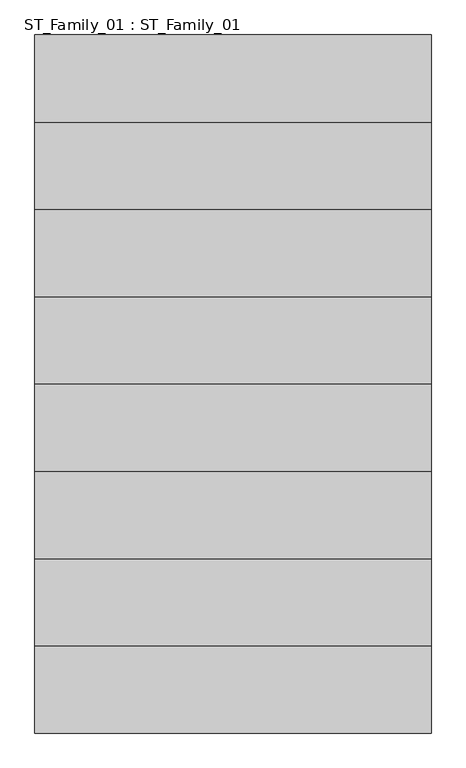
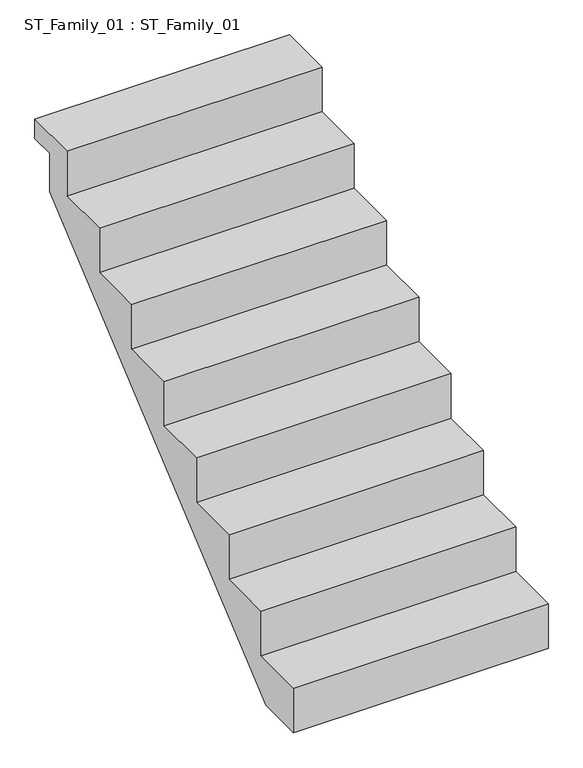
"""IFC4 building model written with IfcOpenShell, lengths in millimetres: proxy geometry, ST_Family_01 : ST_Family_01."""

from ifc_helpers import new_model, si_unit, frame, origin, place, context, project, spatial, polyline, outline, extrude, source, transform, mapped, element, save


def st_family_01_st_family_01_4b2d6e70(model_context):
    return source(origin(), model_context, "Body", "SweptSolid", [
        extrude(outline(polyline([(0.0, 185.0), (220.0, 185.0), (220.0, 370.0), (440.0, 370.0), (440.0, 555.0), (660.0, 555.0), (660.0, 740.0), (880.0, 740.0), (880.0, 925.0), (1100.0, 925.0), (1100.0, 1110.0), (1320.0, 1110.0), (1320.0, 1295.0), (1540.0, 1295.0), (1540.0, 1480.0), (1760.0, 1480.0), (1760.0, 1400.0), (1660.0, 1400.0), (1660.0, 1239.1205562), (186.4512305, 0.0), (0.0, 0.0), (0.0, 185.0)])), frame((-500.0, 0.0, 0.0), z_axis=(1.0, 0.0, 0.0), x_axis=(0.0, 1.0, 0.0)), (0.0, 0.0, 1.0), 1000.0),
    ])


if __name__ == "__main__":
    model = new_model("IFC4")
    model_context = context("Model", 3, world=origin())
    ifc_project = project(units=[si_unit("LENGTHUNIT", "METRE", prefix="MILLI")], contexts=[model_context])
    site = spatial("IfcSite", under=ifc_project)
    building = spatial("IfcBuilding", under=site)
    placement = place(None, origin())
    st_family_01_st_family_01_shape = st_family_01_st_family_01_4b2d6e70(model_context)
    element("IfcBuildingElementProxy", 1, Name="ST_Family_01 : ST_Family_01", ObjectType="ST_Family_01 : ST_Family_01", at=placement, inside=building, context=model_context, shape_type="MappedRepresentation", body=[
        mapped(st_family_01_st_family_01_shape, transform((0.0, 0.0, 0.0), x_axis=(1.0, 0.0, 0.0), y_axis=(0.0, 1.0, 0.0), z_axis=(0.0, 0.0, 1.0))),
    ])
    save(model, "model.ifc")
